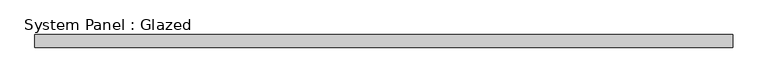
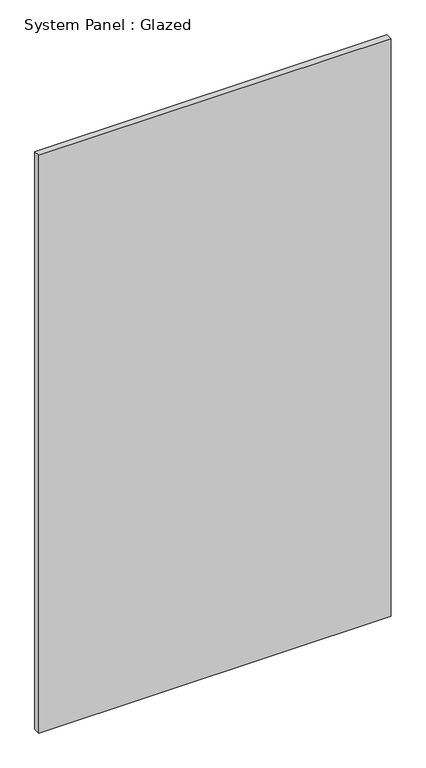
"""IFC4 building model written with IfcOpenShell, lengths in millimetres: plate geometry, System Panel : Glazed."""

from ifc_helpers import new_model, si_unit, origin, origin_with_axes, place, context, project, spatial, polyline, outline, extrude, source, transform, mapped, element, save


def system_panel_glazed_c7e7c8b1(model_context):
    return source(origin(), model_context, "Body", "SweptSolid", [
        extrude(outline(polyline([(671.0251771, 24.5), (-671.0251771, 24.5), (-671.0251771, 49.5), (671.0251771, 49.5), (671.0251771, 24.5)])), origin_with_axes(), (0.0, 0.0, 1.0), 2325.0),
    ])


if __name__ == "__main__":
    model = new_model("IFC4")
    model_context = context("Model", 3, world=origin())
    ifc_project = project(units=[si_unit("LENGTHUNIT", "METRE", prefix="MILLI")], contexts=[model_context])
    site = spatial("IfcSite", under=ifc_project)
    building = spatial("IfcBuilding", under=site)
    placement = place(None, origin())
    system_panel_glazed_shape = system_panel_glazed_c7e7c8b1(model_context)
    element("IfcPlate", 1, ObjectType="System Panel : Glazed", at=placement, inside=building, context=model_context, shape_type="MappedRepresentation", body=[
        mapped(system_panel_glazed_shape, transform((0.0, 0.0, 0.0), x_axis=(1.0, 0.0, 0.0), y_axis=(0.0, 1.0, 0.0), z_axis=(0.0, 0.0, 1.0))),
    ])
    save(model, "model.ifc")
